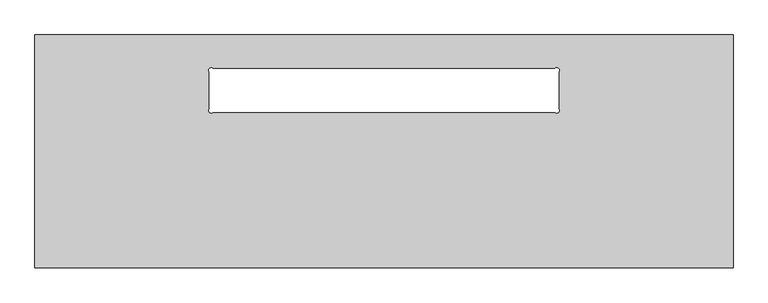
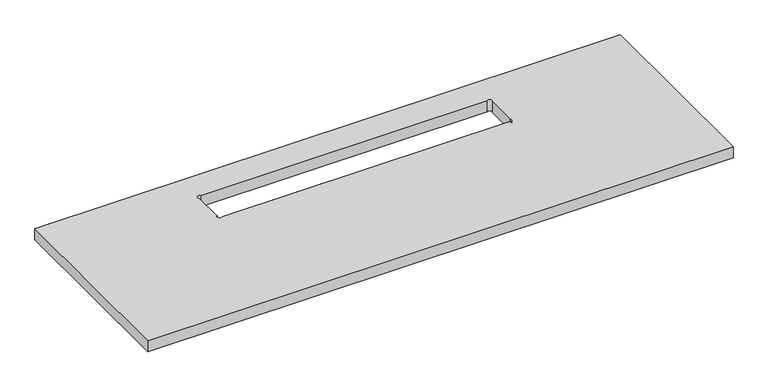
"""IFC4 building model written with IfcOpenShell, lengths in millimetres: furniture geometry."""

from ifc_helpers import new_model, si_unit, point, frame, frame_2d, origin, place, context, project, spatial, polyline, circle_curve, trimmed, segment, composite_curve, outline, extrude, source, transform, mapped, element, save


def furniture_a51867f8(model_context):
    return source(origin(), model_context, "Body", "SweptSolid", [
        extrude(outline(polyline([(1828.8, 0.0), (1828.8, -609.6), (0.0, -609.6), (0.0, 0.0), (1828.8, 0.0)]), holes=[composite_curve([segment(polyline([(1362.3002043, -88.1379977), (466.4997685, -88.1379977)]), True, "CONTINUOUS"), segment(trimmed(circle_curve(frame_2d((461.8498842, -92.7878819)), 6.5759293), [point((466.4997685, -88.1379977))], [point((457.2, -97.4377662))], True, "CARTESIAN"), True, "CONTINUOUS"), segment(polyline([(457.2, -97.4377662), (457.2, -193.4430435)]), True, "CONTINUOUS"), segment(trimmed(circle_curve(frame_2d((461.8498797, -198.0929232)), 6.5759229), [point((457.2, -193.4430435))], [point((466.4997594, -202.7428029))], True, "CARTESIAN"), True, "CONTINUOUS"), segment(polyline([(466.4997594, -202.7428029), (1362.3002406, -202.7428029)]), True, "CONTINUOUS"), segment(trimmed(circle_curve(frame_2d((1366.9501203, -198.0929232)), 6.5759229), [point((1362.3002406, -202.7428029))], [point((1371.6, -193.4430435))], True, "CARTESIAN"), True, "CONTINUOUS"), segment(polyline([(1371.6, -193.4430435), (1371.6, -97.4377934)]), True, "CONTINUOUS"), segment(trimmed(circle_curve(frame_2d((1366.9501021, -92.7878956)), 6.5759486), [point((1371.6, -97.4377934))], [point((1362.3002043, -88.1379977))], True, "CARTESIAN"), True, "CONTINUOUS")], self_intersect=False)]), frame((0.0, 0.0, 546.1), z_axis=(0.0, 0.0, 1.0), x_axis=(1.0, 0.0, 0.0)), (0.0, 0.0, 1.0), 36.322),
    ])


if __name__ == "__main__":
    model = new_model("IFC4")
    model_context = context("Model", 3, world=origin())
    ifc_project = project(units=[si_unit("LENGTHUNIT", "METRE", prefix="MILLI")], contexts=[model_context])
    site = spatial("IfcSite", under=ifc_project)
    building = spatial("IfcBuilding", under=site)
    placement = place(None, origin())
    furniture_shape = furniture_a51867f8(model_context)
    element("IfcFurniture", 1, at=placement, inside=building, context=model_context, shape_type="MappedRepresentation", body=[
        mapped(furniture_shape, transform((0.0, 0.0, 0.0), x_axis=(1.0, 0.0, 0.0), y_axis=(0.0, 1.0, 0.0), z_axis=(0.0, 0.0, 1.0))),
    ])
    save(model, "model.ifc")
